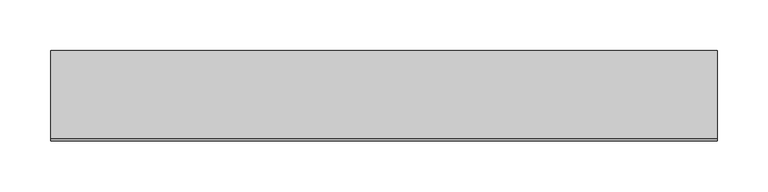
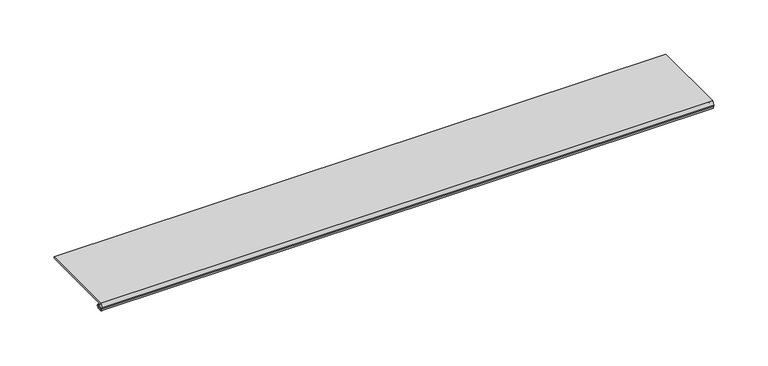
"""IFC4 building model written with IfcOpenShell, lengths in millimetres: proxy geometry."""

from ifc_helpers import new_model, si_unit, point, frame, frame_2d, origin, place, context, project, spatial, polyline, circle_curve, trimmed, segment, composite_curve, outline, extrude, source, transform, mapped, element, save


def generic_models_5db76b80(model_context):
    return source(origin(), model_context, "Body", "SweptSolid", [
        extrude(outline(composite_curve([segment(polyline([(88.9, 13.2537076), (88.9, 11.6837076), (4.9698231, 11.6837076)]), True, "CONTINUOUS"), segment(trimmed(circle_curve(frame_2d((4.9836004, 10.5900854)), 1.093709), [point((4.9698231, 11.6837076))], [point((4.9454257, 9.4970429))], True, "CARTESIAN"), True, "CONTINUOUS"), segment(polyline([(4.9454257, 9.4970429), (6.3252986, 9.4327708)]), True, "CONTINUOUS"), segment(trimmed(circle_curve(frame_2d((6.2190404, 7.151486)), 2.2837581), [point((6.3252986, 9.4327708))], [point((6.2190404, 4.8677279))], False, "CARTESIAN"), True, "CONTINUOUS"), segment(polyline([(6.2190404, 4.8677279), (2.2867276, 4.8677279)]), True, "CONTINUOUS"), segment(trimmed(circle_curve(frame_2d((2.2867276, 5.5318063)), 0.6640784), [point((2.2867276, 4.8677279))], [point((2.2368711, 6.1940104))], False, "CARTESIAN"), True, "CONTINUOUS"), segment(polyline([(2.2368711, 6.1940104), (4.5055344, 6.3177279), (6.0740222, 6.3177279)]), True, "CONTINUOUS"), segment(trimmed(circle_curve(frame_2d((6.0740222, 7.2927279)), 0.975), [point((6.0740222, 6.3177279))], [point((6.0740222, 8.2677279))], True, "CARTESIAN"), True, "CONTINUOUS"), segment(polyline([(6.0740222, 8.2677279), (4.8748016, 8.2677279), (3.9297655, 8.3107178)]), True, "CONTINUOUS"), segment(trimmed(circle_curve(frame_2d((2.4847467, 6.6596487)), 2.1941076), [point((3.9297655, 8.3107178))], [point((1.0903749, 8.3537076))], True, "CARTESIAN"), True, "CONTINUOUS"), segment(polyline([(1.0903749, 8.3537076), (0.065443, 8.3537076), (0.065443, 9.2261945), (2.1184419, 13.2537076), (88.9, 13.2537076)]), True, "CONTINUOUS")], self_intersect=False)), frame((0.0, 0.0, 0.0), z_axis=(1.0, 0.0, 0.0), x_axis=(0.0, 1.0, 0.0)), (0.0, 0.0, 1.0), 653.773),
    ])


if __name__ == "__main__":
    model = new_model("IFC4")
    model_context = context("Model", 3, world=origin())
    ifc_project = project(units=[si_unit("LENGTHUNIT", "METRE", prefix="MILLI")], contexts=[model_context])
    site = spatial("IfcSite", under=ifc_project)
    building = spatial("IfcBuilding", under=site)
    placement = place(None, origin())
    generic_models_shape = generic_models_5db76b80(model_context)
    element("IfcBuildingElementProxy", 1, Name="Generic Models", at=placement, inside=building, context=model_context, shape_type="MappedRepresentation", body=[
        mapped(generic_models_shape, transform((0.0, 0.0, 0.0), x_axis=(1.0, 0.0, 0.0), y_axis=(0.0, 1.0, 0.0), z_axis=(0.0, 0.0, 1.0))),
    ])
    save(model, "model.ifc")
